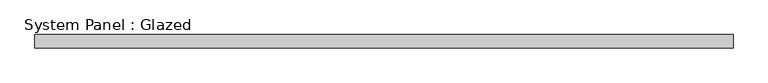
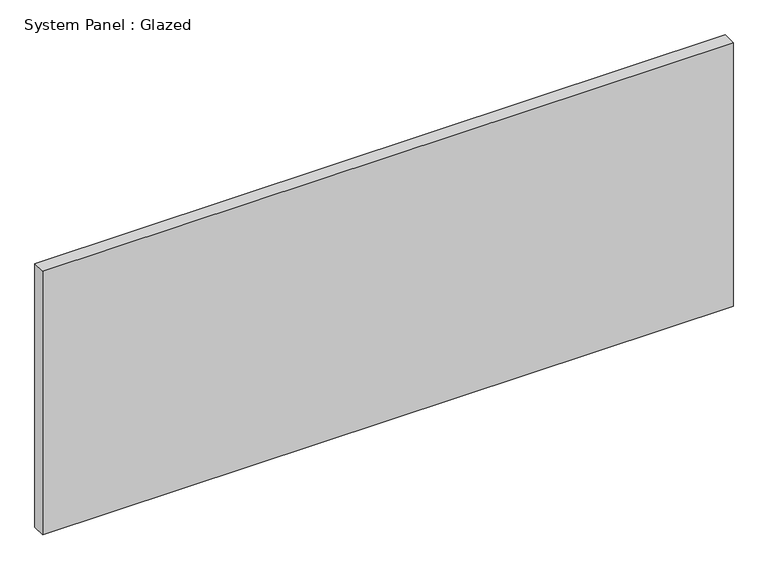
"""IFC4 building model written with IfcOpenShell, lengths in millimetres: plate geometry, System Panel : Glazed."""

from ifc_helpers import new_model, si_unit, origin, origin_with_axes, place, context, project, spatial, polyline, outline, extrude, source, transform, mapped, element, save


def system_panel_glazed_a29eb657(model_context):
    return source(origin(), model_context, "Body", "SweptSolid", [
        extrude(outline(polyline([(650.0, 24.5), (-650.0, 24.5), (-650.0, 49.5), (650.0, 49.5), (650.0, 24.5)])), origin_with_axes(), (0.0, 0.0, 1.0), 525.0),
    ])


if __name__ == "__main__":
    model = new_model("IFC4")
    model_context = context("Model", 3, world=origin())
    ifc_project = project(units=[si_unit("LENGTHUNIT", "METRE", prefix="MILLI")], contexts=[model_context])
    site = spatial("IfcSite", under=ifc_project)
    building = spatial("IfcBuilding", under=site)
    placement = place(None, origin())
    system_panel_glazed_shape = system_panel_glazed_a29eb657(model_context)
    element("IfcPlate", 1, ObjectType="System Panel : Glazed", at=placement, inside=building, context=model_context, shape_type="MappedRepresentation", body=[
        mapped(system_panel_glazed_shape, transform((0.0, 0.0, 0.0), x_axis=(1.0, 0.0, 0.0), y_axis=(0.0, 1.0, 0.0), z_axis=(0.0, 0.0, 1.0))),
    ])
    save(model, "model.ifc")
